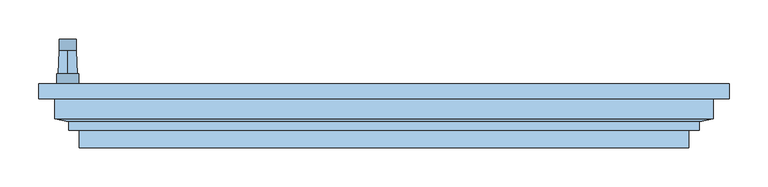
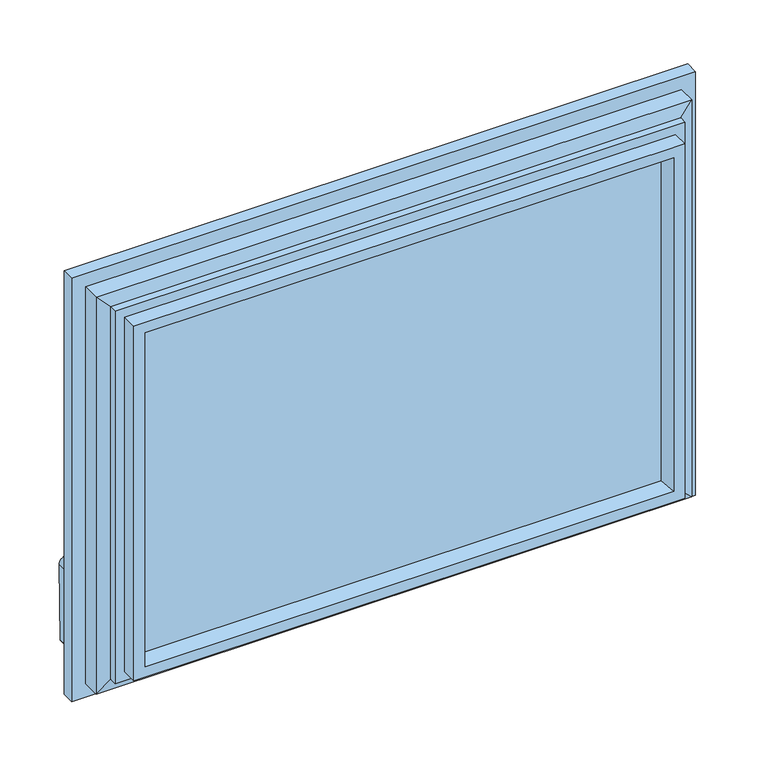
"""IFC4 building model written with IfcOpenShell, lengths in millimetres: window geometry."""

from ifc_helpers import new_model, si_unit, point, frame, frame_2d, origin, place, context, project, spatial, polyline, circle_curve, trimmed, segment, composite_curve, outline, extrude, faceted_brep, source, transform, mapped, element, save
from ifc_brep_helpers import plane_surface, cylinder_surface, revolved_surface, advanced_brep


def window_8fc34200(model_context):
    return source(origin(), model_context, "Body", "SolidModel", [
        advanced_brep(
        [(-391.2, 10.8, 220.2), (-391.2, 10.8, 184.8), (-419.8, 10.8, 184.8), (-419.8, 10.8, 220.2), (-405.5, 10.8, 190.5), (-405.5, 10.8, 214.5), (-391.2, -2.0, 220.2), (-419.8, -2.0, 220.2), (-419.8, -2.0, 184.8), (-391.2, -2.0, 184.8), (-405.5, 40.5837804, 213.45), (-405.5, 40.5837804, 191.55)],
        [
            (0, 1),
            (1, 2, circle_curve(frame((-405.5, 10.8, 184.8), z_axis=(0.0, 1.0, 0.0), x_axis=(-1.0, 0.0, 0.0)), 14.3)),
            (2, 3),
            (3, 0, circle_curve(frame((-405.5, 10.8, 220.2), z_axis=(0.0, 1.0, 0.0), x_axis=(-1.0, 0.0, 0.0)), 14.3)),
            (4, 5, circle_curve(frame((-405.5, 10.8, 202.5), z_axis=(0.0, -1.0, 0.0), x_axis=(0.0, 0.0, 1.0)), 12.0)),
            (5, 4, circle_curve(frame((-405.5, 10.8, 202.5), z_axis=(0.0, -1.0, 0.0), x_axis=(0.0, 0.0, -1.0)), 12.0)),
            (6, 7, circle_curve(frame((-405.5, -2.0, 220.2), z_axis=(0.0, -1.0, 0.0), x_axis=(-1.0, 0.0, 0.0)), 14.3)),
            (7, 8),
            (8, 9, circle_curve(frame((-405.5, -2.0, 184.8), z_axis=(0.0, -1.0, 0.0), x_axis=(-1.0, 0.0, 0.0)), 14.3)),
            (9, 6),
            (0, 6),
            (9, 1),
            (8, 2),
            (7, 3),
            (10, 11, circle_curve(frame((-405.5, 40.5837804, 202.5), z_axis=(0.0, 1.0, 0.0), x_axis=(0.0, 0.0, 1.0)), 10.95)),
            (11, 10, circle_curve(frame((-405.5, 40.5837804, 202.5), z_axis=(0.0, 1.0, 0.0), x_axis=(0.0, 0.0, -1.0)), 10.95)),
            (10, 5),
            (4, 11),
        ],
        [
            plane_surface(frame((-391.2, 10.8, 220.2), z_axis=(0.0, 1.0, 0.0), x_axis=(0.0, 0.0, -1.0))),
            plane_surface(frame((-391.2, -2.0, 220.2), z_axis=(0.0, -1.0, 0.0), x_axis=(0.0, 0.0, 1.0))),
            plane_surface(frame((-391.2, 10.8, 220.2), z_axis=(1.0, 0.0, 0.0), x_axis=(0.0, -1.0, 0.0))),
            cylinder_surface(frame((-405.5, -2.0, 184.8), z_axis=(0.0, 1.0, 0.0), x_axis=(-1.0, 0.0, 0.0)), 14.3),
            plane_surface(frame((-419.8, 10.8, 184.8), z_axis=(-1.0, 0.0, 0.0), x_axis=(0.0, -1.0, 0.0))),
            cylinder_surface(frame((-405.5, -2.0, 220.2), z_axis=(0.0, 1.0, 0.0), x_axis=(-1.0, 0.0, 0.0)), 14.3),
            plane_surface(frame((-405.5, 40.5837804, 202.5), z_axis=(0.0, 1.0, 0.0), x_axis=(1.0, 0.0, 0.0))),
            revolved_surface(polyline([(-405.5, 40.58378040000002, 213.4500000002644), (-405.5, 10.800000000000011, 214.5)]), (-405.5, 351.1860618, 202.5), (0.0, -1.0, 0.0)),
            revolved_surface(polyline([(-405.5, 40.58378040000002, 191.5499999997356), (-405.5, 10.800000000000011, 190.5)]), (-405.5, 351.1860618, 202.5), (0.0, -1.0, 0.0)),
        ],
        [
            (0, [[1, 2, 3, 4], [5, 6]]),
            (1, [[7, 8, 9, 10]]),
            (2, [[-1, 11, -10, 12]]),
            (3, [[-2, -12, -9, 13]]),
            (4, [[-3, -13, -8, 14]]),
            (5, [[-4, -14, -7, -11]]),
            (6, [[15, 16]]),
            (7, [[-15, 17, -5, 18]]),
            (8, [[-16, -18, -6, -17]]),
        ],
    ),
        extrude(outline(composite_curve([segment(trimmed(circle_curve(frame_2d((89.5593058, -409.4580365)), 5.1186159), [point((89.5592661, -414.5766524))], [point((84.4406899, -409.4580365))], False, "CARTESIAN"), True, "CONTINUOUS"), segment(polyline([(84.4406899, -409.4580365), (84.4406899, -401.5419635)]), True, "CONTINUOUS"), segment(trimmed(circle_curve(frame_2d((89.5593058, -401.5419635)), 5.1186159), [point((84.4406899, -401.5419635))], [point((89.3895475, -396.4261634))], False, "CARTESIAN"), True, "CONTINUOUS"), segment(polyline([(89.3895475, -396.4261634), (202.5, -394.55)]), True, "CONTINUOUS"), segment(trimmed(circle_curve(frame_2d((202.5, -405.5)), 10.95), [point((202.5, -394.55))], [point((202.5, -416.45))], False, "CARTESIAN"), True, "CONTINUOUS"), segment(polyline([(202.5, -416.45), (89.5592661, -414.5766524)]), True, "CONTINUOUS")], self_intersect=False)), frame((0.0, 40.5837804, 0.0), z_axis=(0.0, 1.0, 0.0), x_axis=(0.0, 0.0, 1.0)), (0.0, 0.0, 1.0), 15.0),
        extrude(outline(polyline([(386.5, -23.0), (386.5, -27.0), (-386.5, -27.0), (-386.5, -23.0), (386.5, -23.0)])), frame((0.0, 0.0, 108.5), z_axis=(0.0, 0.0, 1.0), x_axis=(1.0, 0.0, 0.0)), (0.0, 0.0, 1.0), 523.0),
        extrude(outline(polyline([(386.5, -59.0), (386.5, -63.0), (-386.5, -63.0), (-386.5, -59.0), (386.5, -59.0)])), frame((0.0, 0.0, 108.5), z_axis=(0.0, 0.0, 1.0), x_axis=(1.0, 0.0, 0.0)), (0.0, 0.0, 1.0), 523.0),
        extrude(outline(polyline([(386.5, -41.0), (386.5, -45.0), (-386.5, -45.0), (-386.5, -41.0), (386.5, -41.0)])), frame((0.0, 0.0, 108.5), z_axis=(0.0, 0.0, 1.0), x_axis=(1.0, 0.0, 0.0)), (0.0, 0.0, 1.0), 523.0),
        faceted_brep([(422.5, -21.0, 667.5), (422.5, -46.45, 667.5), (422.5, -46.45, 72.5), (422.5, -21.0, 72.5), (442.5, -2.0, 687.5), (442.5, -21.0, 687.5), (442.5, -21.0, 52.5), (442.5, -2.0, 52.5), (370.3364776, -23.0, 615.3364776), (359.6599742, -2.0, 604.6599742), (359.6599742, -2.0, 135.3400258), (370.3364776, -23.0, 124.6635224), (386.5, -63.0, 631.5), (386.5, -23.0, 631.5), (386.5, -23.0, 108.5), (386.5, -63.0, 108.5), (375.1595631, -84.0, 620.1595631), (369.53263, -63.0, 614.53263), (369.53263, -63.0, 125.46737), (375.1595631, -84.0, 119.8404369), (390.9018435, -84.0, 635.9018435), (390.9018435, -84.0, 104.0981565), (390.9018435, -61.5, 104.0981565), (390.9018435, -61.5, 635.9018435), (404.3518435, -50.6, 649.3518435), (404.3518435, -61.5, 649.3518435), (404.3518435, -61.5, 90.6481565), (404.3518435, -50.6, 90.6481565), (-422.5, -46.45, 72.5), (-422.5, -21.0, 72.5), (-442.5, -21.0, 52.5), (-442.5, -2.0, 52.5), (-359.6599742, -2.0, 135.3400258), (-370.3364776, -23.0, 124.6635224), (-386.5, -23.0, 108.5), (-386.5, -63.0, 108.5), (-369.53263, -63.0, 125.46737), (-375.1595631, -84.0, 119.8404369), (-390.9018435, -84.0, 104.0981565), (-390.9018435, -61.5, 104.0981565), (-404.3518435, -61.5, 90.6481565), (-404.3518435, -50.6, 90.6481565), (-422.5, -46.45, 667.5), (-422.5, -21.0, 667.5), (-442.5, -21.0, 687.5), (-442.5, -2.0, 687.5), (-359.6599742, -2.0, 604.6599742), (-370.3364776, -23.0, 615.3364776), (-386.5, -23.0, 631.5), (-386.5, -63.0, 631.5), (-369.53263, -63.0, 614.53263), (-375.1595631, -84.0, 620.1595631), (-390.9018435, -84.0, 635.9018435), (-390.9018435, -61.5, 635.9018435), (-404.3518435, -61.5, 649.3518435), (-404.3518435, -50.6, 649.3518435)], [[[0, 1, 2, 3]], [[4, 5, 6, 7]], [[8, 9, 10, 11]], [[12, 13, 14, 15]], [[16, 17, 18, 19]], [[20, 21, 22, 23]], [[24, 25, 26, 27]], [[1, 24, 27, 2]], [[3, 2, 28, 29]], [[7, 6, 30, 31]], [[11, 10, 32, 33]], [[15, 14, 34, 35]], [[19, 18, 36, 37]], [[22, 21, 38, 39]], [[27, 26, 40, 41]], [[2, 27, 41, 28]], [[29, 28, 42, 43]], [[31, 30, 44, 45]], [[33, 32, 46, 47]], [[35, 34, 48, 49]], [[37, 36, 50, 51]], [[39, 38, 52, 53]], [[41, 40, 54, 55]], [[28, 41, 55, 42]], [[43, 42, 1, 0]], [[5, 44, 30, 6], [3, 29, 43, 0]], [[45, 44, 5, 4]], [[7, 31, 45, 4], [9, 46, 32, 10]], [[47, 46, 9, 8]], [[13, 48, 34, 14], [11, 33, 47, 8]], [[49, 48, 13, 12]], [[15, 35, 49, 12], [17, 50, 36, 18]], [[51, 50, 17, 16]], [[20, 52, 38, 21], [19, 37, 51, 16]], [[53, 52, 20, 23]], [[25, 54, 40, 26], [22, 39, 53, 23]], [[55, 54, 25, 24]], [[42, 55, 24, 1]]]),
    ])


if __name__ == "__main__":
    model = new_model("IFC4")
    model_context = context("Model", 3, world=origin())
    ifc_project = project(units=[si_unit("LENGTHUNIT", "METRE", prefix="MILLI")], contexts=[model_context])
    site = spatial("IfcSite", under=ifc_project)
    building = spatial("IfcBuilding", under=site)
    placement = place(None, origin())
    window_shape = window_8fc34200(model_context)
    element("IfcWindow", 1, at=placement, inside=building, context=model_context, shape_type="MappedRepresentation", body=[
        mapped(window_shape, transform((0.0, 0.0, 0.0), x_axis=(1.0, 0.0, 0.0), y_axis=(0.0, 1.0, 0.0), z_axis=(0.0, 0.0, 1.0))),
    ])
    save(model, "model.ifc")
